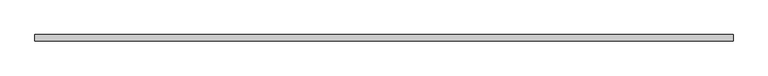
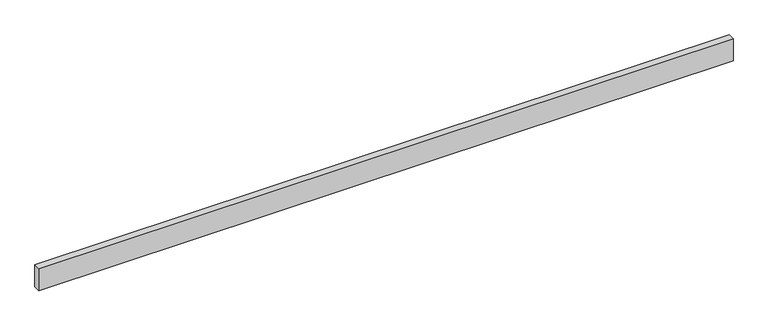
"""IFC4 building model written with IfcOpenShell, lengths in millimetres: beam geometry."""

from ifc_helpers import new_model, si_unit, frame, origin, place, context, project, spatial, polyline, outline, extrude, source, transform, mapped, element, save


def beam_0c900c98(model_context):
    return source(origin(), model_context, "Body", "SweptSolid", [
        extrude(outline(polyline([(2081.2125, -19.05), (-2081.2125, -19.05), (-2081.2125, 19.05), (2081.2125, 19.05), (2081.2125, -19.05)])), frame((0.0, 0.0, -69.85), z_axis=(0.0, 0.0, 1.0), x_axis=(1.0, 0.0, 0.0)), (0.0, 0.0, 1.0), 139.7),
    ])


if __name__ == "__main__":
    model = new_model("IFC4")
    model_context = context("Model", 3, world=origin())
    ifc_project = project(units=[si_unit("LENGTHUNIT", "METRE", prefix="MILLI")], contexts=[model_context])
    site = spatial("IfcSite", under=ifc_project)
    building = spatial("IfcBuilding", under=site)
    placement = place(None, origin())
    beam_shape = beam_0c900c98(model_context)
    element("IfcBeam", 1, at=placement, inside=building, context=model_context, shape_type="MappedRepresentation", body=[
        mapped(beam_shape, transform((0.0, 0.0, 0.0), x_axis=(1.0, 0.0, 0.0), y_axis=(0.0, 1.0, 0.0), z_axis=(0.0, 0.0, 1.0))),
    ])
    save(model, "model.ifc")
